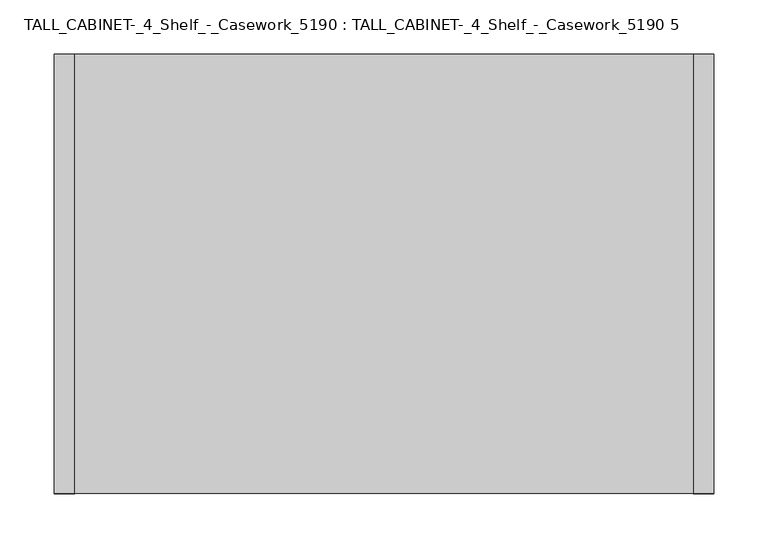
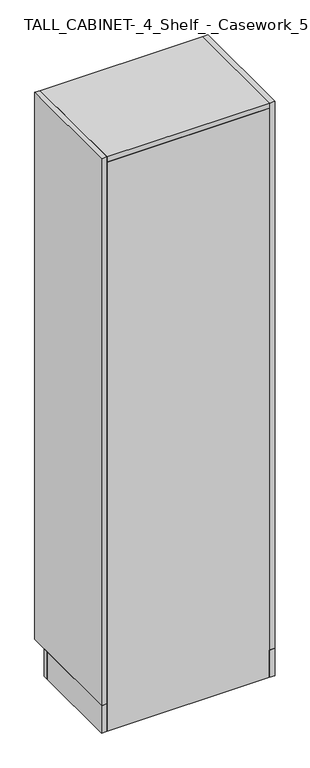
"""IFC4 building model written with IfcOpenShell, lengths in millimetres: furniture geometry, TALL_CABINET-_4_Shelf_-_Casework_5190 : TALL_CABINET-_4_Shelf_-_Casework_5190 5."""

from ifc_helpers import new_model, si_unit, frame, origin, origin_with_axes, place, context, project, spatial, polyline, outline, extrude, source, transform, mapped, element, save


def tall_cabinet_4_shelf_casework_5190_tall_cabinet_4_shelf_e604c999(model_context):
    return source(origin(), model_context, "Body", "SweptSolid", [
        extrude(outline(polyline([(179.990969, 330.2), (199.040969, 330.2), (199.040969, 0.0), (179.990969, 0.0), (179.990969, 330.2)])), origin_with_axes(), (0.0, 0.0, 1.0), 101.6),
        extrude(outline(polyline([(-410.559031, 330.2), (-391.509031, 330.2), (-391.509031, 0.0), (-410.559031, 0.0), (-410.559031, 330.2)])), origin_with_axes(), (0.0, 0.0, 1.0), 101.6),
        extrude(outline(polyline([(179.990969, 19.05), (-391.509031, 19.05), (-391.509031, 406.4), (179.990969, 406.4), (179.990969, 19.05)])), frame((0.0, 0.0, 1625.6), z_axis=(0.0, 0.0, 1.0), x_axis=(1.0, 0.0, 0.0)), (0.0, 0.0, 1.0), 19.05),
        extrude(outline(polyline([(179.990969, 19.05), (-391.509031, 19.05), (-391.509031, 406.4), (179.990969, 406.4), (179.990969, 19.05)])), frame((0.0, 0.0, 1117.6), z_axis=(0.0, 0.0, 1.0), x_axis=(1.0, 0.0, 0.0)), (0.0, 0.0, 1.0), 19.05),
        extrude(outline(polyline([(179.990969, 19.05), (-391.509031, 19.05), (-391.509031, 406.4), (179.990969, 406.4), (179.990969, 19.05)])), frame((0.0, 0.0, 609.6), z_axis=(0.0, 0.0, 1.0), x_axis=(1.0, 0.0, 0.0)), (0.0, 0.0, 1.0), 19.05),
        extrude(outline(polyline([(179.990969, 19.05), (-391.509031, 19.05), (-391.509031, 406.4), (179.990969, 406.4), (179.990969, 19.05)])), frame((0.0, 0.0, 101.6), z_axis=(0.0, 0.0, 1.0), x_axis=(1.0, 0.0, 0.0)), (0.0, 0.0, 1.0), 19.05),
        extrude(outline(polyline([(179.990969, 19.05), (179.990969, 0.0), (-391.509031, 0.0), (-391.509031, 19.05), (179.990969, 19.05)])), origin_with_axes(), (0.0, 0.0, 1.0), 2114.55),
        extrude(outline(polyline([(179.990969, 0.0), (-391.509031, 0.0), (-391.509031, 406.4), (179.990969, 406.4), (179.990969, 0.0)])), frame((0.0, 0.0, 2114.55), z_axis=(0.0, 0.0, 1.0), x_axis=(1.0, 0.0, 0.0)), (0.0, 0.0, 1.0), 19.05),
        extrude(outline(polyline([(179.990969, 406.4), (199.040969, 406.4), (199.040969, 0.0), (179.990969, 0.0), (179.990969, 406.4)])), frame((0.0, 0.0, 101.6), z_axis=(0.0, 0.0, 1.0), x_axis=(1.0, 0.0, 0.0)), (0.0, 0.0, 1.0), 2032.0),
        extrude(outline(polyline([(-410.559031, 406.4), (-391.509031, 406.4), (-391.509031, 0.0), (-410.559031, 0.0), (-410.559031, 406.4)])), frame((0.0, 0.0, 101.6), z_axis=(0.0, 0.0, 1.0), x_axis=(1.0, 0.0, 0.0)), (0.0, 0.0, 1.0), 2032.0),
        extrude(outline(polyline([(-410.559031, 349.25), (199.040969, 349.25), (199.040969, 330.2), (-410.559031, 330.2), (-410.559031, 349.25)])), origin_with_axes(), (0.0, 0.0, 1.0), 101.6),
    ])


if __name__ == "__main__":
    model = new_model("IFC4")
    model_context = context("Model", 3, world=origin())
    ifc_project = project(units=[si_unit("LENGTHUNIT", "METRE", prefix="MILLI")], contexts=[model_context])
    site = spatial("IfcSite", under=ifc_project)
    building = spatial("IfcBuilding", under=site)
    placement = place(None, origin())
    tall_cabinet_4_shelf_casework_5190_tall_cabinet_4_shelf_shape = tall_cabinet_4_shelf_casework_5190_tall_cabinet_4_shelf_e604c999(model_context)
    element("IfcFurniture", 1, ObjectType="TALL_CABINET-_4_Shelf_-_Casework_5190 : TALL_CABINET-_4_Shelf_-_Casework_5190 5", at=placement, inside=building, context=model_context, shape_type="MappedRepresentation", body=[
        mapped(tall_cabinet_4_shelf_casework_5190_tall_cabinet_4_shelf_shape, transform((0.0, 0.0, 0.0), x_axis=(1.0, 0.0, 0.0), y_axis=(0.0, 1.0, 0.0), z_axis=(0.0, 0.0, 1.0))),
    ])
    save(model, "model.ifc")
